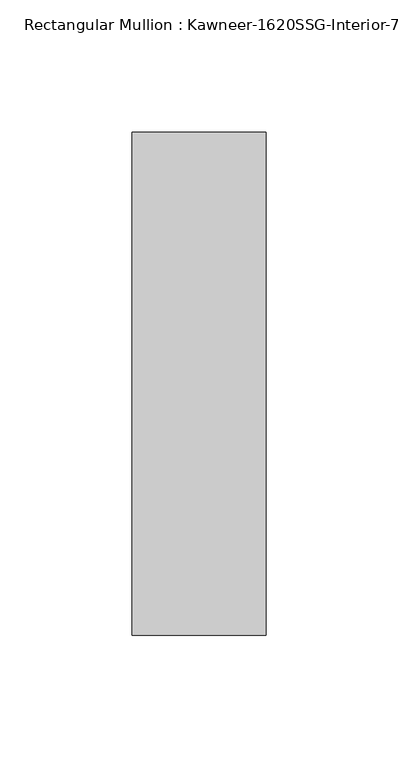
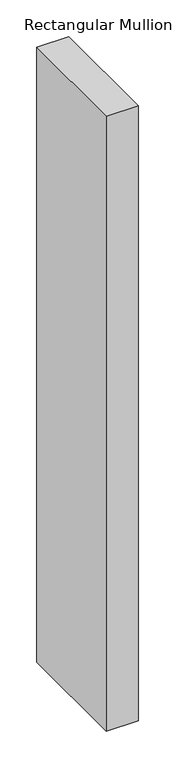
"""IFC4 building model written with IfcOpenShell, lengths in millimetres: member geometry."""

from ifc_helpers import new_model, si_unit, frame, origin, place, context, project, spatial, polyline, outline, extrude, source, transform, mapped, element, save


def member_c1eabde9(model_context):
    return source(origin(), model_context, "Body", "SweptSolid", [
        extrude(outline(polyline([(25.4, -161.925), (-25.4, -161.925), (-25.4, 28.575), (25.4, 28.575), (25.4, -161.925)])), frame((0.0, 0.0, -1028.7), z_axis=(0.0, 0.0, 1.0), x_axis=(1.0, 0.0, 0.0)), (0.0, 0.0, 1.0), 1028.7),
    ])


if __name__ == "__main__":
    model = new_model("IFC4")
    model_context = context("Model", 3, world=origin())
    ifc_project = project(units=[si_unit("LENGTHUNIT", "METRE", prefix="MILLI")], contexts=[model_context])
    site = spatial("IfcSite", under=ifc_project)
    building = spatial("IfcBuilding", under=site)
    placement = place(None, origin())
    member_shape = member_c1eabde9(model_context)
    element("IfcMember", 1, ObjectType="Rectangular Mullion : Kawneer-1620SSG-Interior-7.5\"-1/4\"Infill", at=placement, inside=building, context=model_context, shape_type="MappedRepresentation", body=[
        mapped(member_shape, transform((0.0, 0.0, 0.0), x_axis=(1.0, 0.0, 0.0), y_axis=(0.0, 1.0, 0.0), z_axis=(0.0, 0.0, 1.0))),
    ])
    save(model, "model.ifc")
